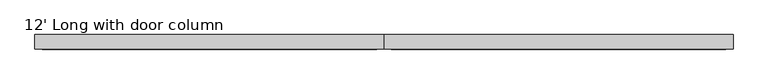
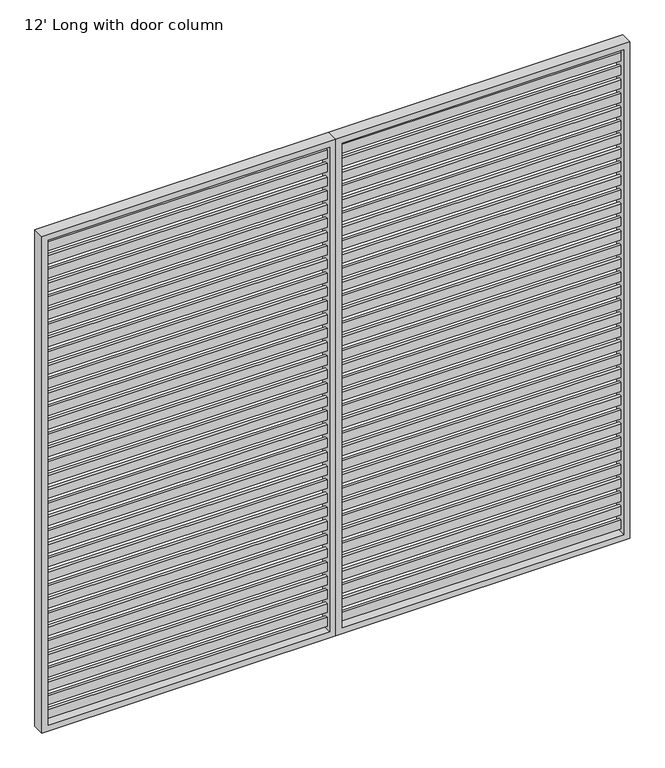
"""IFC4 building model written with IfcOpenShell, lengths in millimetres: furniture geometry, 12' Long with door column."""

from ifc_helpers import new_model, si_unit, frame, origin, place, context, project, spatial, polyline, outline, extrude, source, transform, mapped, element, save


def furniture_12_long_with_door_column_5638d393(model_context):
    return source(origin(), model_context, "Body", "SweptSolid", [
        extrude(outline(polyline([(2413.0, -6.35), (1244.6, -6.35), (1244.6, 6.35), (2413.0, 6.35), (2413.0, -6.35)])), frame((0.0, 0.0, 2030.4880644), z_axis=(0.0, 0.0, 1.0), x_axis=(1.0, 0.0, 0.0)), (0.0, 0.0, 1.0), 38.0999955),
        extrude(outline(polyline([(2413.0, -6.35), (1244.6, -6.35), (1244.6, 6.35), (2413.0, 6.35), (2413.0, -6.35)])), frame((0.0, 0.0, 1970.1654869), z_axis=(0.0, 0.0, 1.0), x_axis=(1.0, 0.0, 0.0)), (0.0, 0.0, 1.0), 38.0999955),
        extrude(outline(polyline([(2413.0, -6.35), (1244.6, -6.35), (1244.6, 6.35), (2413.0, 6.35), (2413.0, -6.35)])), frame((0.0, 0.0, 1909.8429094), z_axis=(0.0, 0.0, 1.0), x_axis=(1.0, 0.0, 0.0)), (0.0, 0.0, 1.0), 38.0999955),
        extrude(outline(polyline([(2413.0, -6.35), (1244.6, -6.35), (1244.6, 6.35), (2413.0, 6.35), (2413.0, -6.35)])), frame((0.0, 0.0, 1849.520332), z_axis=(0.0, 0.0, 1.0), x_axis=(1.0, 0.0, 0.0)), (0.0, 0.0, 1.0), 38.0999955),
        extrude(outline(polyline([(2413.0, -6.35), (1244.6, -6.35), (1244.6, 6.35), (2413.0, 6.35), (2413.0, -6.35)])), frame((0.0, 0.0, 1789.1977545), z_axis=(0.0, 0.0, 1.0), x_axis=(1.0, 0.0, 0.0)), (0.0, 0.0, 1.0), 38.0999955),
        extrude(outline(polyline([(2413.0, -6.35), (1244.6, -6.35), (1244.6, 6.35), (2413.0, 6.35), (2413.0, -6.35)])), frame((0.0, 0.0, 1728.875177), z_axis=(0.0, 0.0, 1.0), x_axis=(1.0, 0.0, 0.0)), (0.0, 0.0, 1.0), 38.0999955),
        extrude(outline(polyline([(2413.0, -6.35), (1244.6, -6.35), (1244.6, 6.35), (2413.0, 6.35), (2413.0, -6.35)])), frame((0.0, 0.0, 1668.5525996), z_axis=(0.0, 0.0, 1.0), x_axis=(1.0, 0.0, 0.0)), (0.0, 0.0, 1.0), 38.0999955),
        extrude(outline(polyline([(2413.0, -6.35), (1244.6, -6.35), (1244.6, 6.35), (2413.0, 6.35), (2413.0, -6.35)])), frame((0.0, 0.0, 1608.2300221), z_axis=(0.0, 0.0, 1.0), x_axis=(1.0, 0.0, 0.0)), (0.0, 0.0, 1.0), 38.0999955),
        extrude(outline(polyline([(2413.0, -6.35), (1244.6, -6.35), (1244.6, 6.35), (2413.0, 6.35), (2413.0, -6.35)])), frame((0.0, 0.0, 1547.9074446), z_axis=(0.0, 0.0, 1.0), x_axis=(1.0, 0.0, 0.0)), (0.0, 0.0, 1.0), 38.0999955),
        extrude(outline(polyline([(2413.0, -6.35), (1244.6, -6.35), (1244.6, 6.35), (2413.0, 6.35), (2413.0, -6.35)])), frame((0.0, 0.0, 1487.5848672), z_axis=(0.0, 0.0, 1.0), x_axis=(1.0, 0.0, 0.0)), (0.0, 0.0, 1.0), 38.0999955),
        extrude(outline(polyline([(2413.0, -6.35), (1244.6, -6.35), (1244.6, 6.35), (2413.0, 6.35), (2413.0, -6.35)])), frame((0.0, 0.0, 1427.2622897), z_axis=(0.0, 0.0, 1.0), x_axis=(1.0, 0.0, 0.0)), (0.0, 0.0, 1.0), 38.0999955),
        extrude(outline(polyline([(2413.0, -6.35), (1244.6, -6.35), (1244.6, 6.35), (2413.0, 6.35), (2413.0, -6.35)])), frame((0.0, 0.0, 1366.9397122), z_axis=(0.0, 0.0, 1.0), x_axis=(1.0, 0.0, 0.0)), (0.0, 0.0, 1.0), 38.0999955),
        extrude(outline(polyline([(2413.0, -6.35), (1244.6, -6.35), (1244.6, 6.35), (2413.0, 6.35), (2413.0, -6.35)])), frame((0.0, 0.0, 1306.6171348), z_axis=(0.0, 0.0, 1.0), x_axis=(1.0, 0.0, 0.0)), (0.0, 0.0, 1.0), 38.0999955),
        extrude(outline(polyline([(2413.0, -6.35), (1244.6, -6.35), (1244.6, 6.35), (2413.0, 6.35), (2413.0, -6.35)])), frame((0.0, 0.0, 1246.2945573), z_axis=(0.0, 0.0, 1.0), x_axis=(1.0, 0.0, 0.0)), (0.0, 0.0, 1.0), 38.0999955),
        extrude(outline(polyline([(2413.0, -6.35), (1244.6, -6.35), (1244.6, 6.35), (2413.0, 6.35), (2413.0, -6.35)])), frame((0.0, 0.0, 1185.9719798), z_axis=(0.0, 0.0, 1.0), x_axis=(1.0, 0.0, 0.0)), (0.0, 0.0, 1.0), 38.0999955),
        extrude(outline(polyline([(2413.0, -6.35), (1244.6, -6.35), (1244.6, 6.35), (2413.0, 6.35), (2413.0, -6.35)])), frame((0.0, 0.0, 1125.6494024), z_axis=(0.0, 0.0, 1.0), x_axis=(1.0, 0.0, 0.0)), (0.0, 0.0, 1.0), 38.0999955),
        extrude(outline(polyline([(2413.0, -6.35), (1244.6, -6.35), (1244.6, 6.35), (2413.0, 6.35), (2413.0, -6.35)])), frame((0.0, 0.0, 1065.3268249), z_axis=(0.0, 0.0, 1.0), x_axis=(1.0, 0.0, 0.0)), (0.0, 0.0, 1.0), 38.0999955),
        extrude(outline(polyline([(2413.0, -6.35), (1244.6, -6.35), (1244.6, 6.35), (2413.0, 6.35), (2413.0, -6.35)])), frame((0.0, 0.0, 1005.0042474), z_axis=(0.0, 0.0, 1.0), x_axis=(1.0, 0.0, 0.0)), (0.0, 0.0, 1.0), 38.0999955),
        extrude(outline(polyline([(2413.0, -6.35), (1244.6, -6.35), (1244.6, 6.35), (2413.0, 6.35), (2413.0, -6.35)])), frame((0.0, 0.0, 944.68167), z_axis=(0.0, 0.0, 1.0), x_axis=(1.0, 0.0, 0.0)), (0.0, 0.0, 1.0), 38.0999955),
        extrude(outline(polyline([(2413.0, -6.35), (1244.6, -6.35), (1244.6, 6.35), (2413.0, 6.35), (2413.0, -6.35)])), frame((0.0, 0.0, 884.3590925), z_axis=(0.0, 0.0, 1.0), x_axis=(1.0, 0.0, 0.0)), (0.0, 0.0, 1.0), 38.0999955),
        extrude(outline(polyline([(2413.0, -6.35), (1244.6, -6.35), (1244.6, 6.35), (2413.0, 6.35), (2413.0, -6.35)])), frame((0.0, 0.0, 824.036515), z_axis=(0.0, 0.0, 1.0), x_axis=(1.0, 0.0, 0.0)), (0.0, 0.0, 1.0), 38.0999955),
        extrude(outline(polyline([(2413.0, -6.35), (1244.6, -6.35), (1244.6, 6.35), (2413.0, 6.35), (2413.0, -6.35)])), frame((0.0, 0.0, 763.7139376), z_axis=(0.0, 0.0, 1.0), x_axis=(1.0, 0.0, 0.0)), (0.0, 0.0, 1.0), 38.0999955),
        extrude(outline(polyline([(2413.0, -6.35), (1244.6, -6.35), (1244.6, 6.35), (2413.0, 6.35), (2413.0, -6.35)])), frame((0.0, 0.0, 703.3913601), z_axis=(0.0, 0.0, 1.0), x_axis=(1.0, 0.0, 0.0)), (0.0, 0.0, 1.0), 38.0999955),
        extrude(outline(polyline([(2413.0, -6.35), (1244.6, -6.35), (1244.6, 6.35), (2413.0, 6.35), (2413.0, -6.35)])), frame((0.0, 0.0, 643.0687826), z_axis=(0.0, 0.0, 1.0), x_axis=(1.0, 0.0, 0.0)), (0.0, 0.0, 1.0), 38.0999955),
        extrude(outline(polyline([(2413.0, -6.35), (1244.6, -6.35), (1244.6, 6.35), (2413.0, 6.35), (2413.0, -6.35)])), frame((0.0, 0.0, 582.7462052), z_axis=(0.0, 0.0, 1.0), x_axis=(1.0, 0.0, 0.0)), (0.0, 0.0, 1.0), 38.0999955),
        extrude(outline(polyline([(2413.0, -6.35), (1244.6, -6.35), (1244.6, 6.35), (2413.0, 6.35), (2413.0, -6.35)])), frame((0.0, 0.0, 522.4236277), z_axis=(0.0, 0.0, 1.0), x_axis=(1.0, 0.0, 0.0)), (0.0, 0.0, 1.0), 38.0999955),
        extrude(outline(polyline([(2413.0, -6.35), (1244.6, -6.35), (1244.6, 6.35), (2413.0, 6.35), (2413.0, -6.35)])), frame((0.0, 0.0, 462.1010502), z_axis=(0.0, 0.0, 1.0), x_axis=(1.0, 0.0, 0.0)), (0.0, 0.0, 1.0), 38.0999955),
        extrude(outline(polyline([(2413.0, -6.35), (1244.6, -6.35), (1244.6, 6.35), (2413.0, 6.35), (2413.0, -6.35)])), frame((0.0, 0.0, 401.7784728), z_axis=(0.0, 0.0, 1.0), x_axis=(1.0, 0.0, 0.0)), (0.0, 0.0, 1.0), 38.0999955),
        extrude(outline(polyline([(2413.0, -6.35), (1244.6, -6.35), (1244.6, 6.35), (2413.0, 6.35), (2413.0, -6.35)])), frame((0.0, 0.0, 341.4558953), z_axis=(0.0, 0.0, 1.0), x_axis=(1.0, 0.0, 0.0)), (0.0, 0.0, 1.0), 38.0999955),
        extrude(outline(polyline([(2413.0, -6.35), (1244.6, -6.35), (1244.6, 6.35), (2413.0, 6.35), (2413.0, -6.35)])), frame((0.0, 0.0, 281.1333178), z_axis=(0.0, 0.0, 1.0), x_axis=(1.0, 0.0, 0.0)), (0.0, 0.0, 1.0), 38.0999955),
        extrude(outline(polyline([(2413.0, -6.35), (1244.6, -6.35), (1244.6, 6.35), (2413.0, 6.35), (2413.0, -6.35)])), frame((0.0, 0.0, 220.8107404), z_axis=(0.0, 0.0, 1.0), x_axis=(1.0, 0.0, 0.0)), (0.0, 0.0, 1.0), 38.0999955),
        extrude(outline(polyline([(2413.0, -6.35), (1244.6, -6.35), (1244.6, 6.35), (2413.0, 6.35), (2413.0, -6.35)])), frame((0.0, 0.0, 160.4881629), z_axis=(0.0, 0.0, 1.0), x_axis=(1.0, 0.0, 0.0)), (0.0, 0.0, 1.0), 38.0999955),
        extrude(outline(polyline([(2413.0, -6.35), (1244.6, -6.35), (1244.6, 6.35), (2413.0, 6.35), (2413.0, -6.35)])), frame((0.0, 0.0, 100.1655854), z_axis=(0.0, 0.0, 1.0), x_axis=(1.0, 0.0, 0.0)), (0.0, 0.0, 1.0), 38.0999955),
        extrude(outline(polyline([(2413.0, -6.35), (1244.6, -6.35), (1244.6, 6.35), (2413.0, 6.35), (2413.0, -6.35)])), frame((0.0, 0.0, 2090.8106418), z_axis=(0.0, 0.0, 1.0), x_axis=(1.0, 0.0, 0.0)), (0.0, 0.0, 1.0), 38.0999955),
        extrude(outline(polyline([(2413.0, -6.35), (1244.6, -6.35), (1244.6, 6.35), (2413.0, 6.35), (2413.0, -6.35)])), frame((0.0, 0.0, 39.843008), z_axis=(0.0, 0.0, 1.0), x_axis=(1.0, 0.0, 0.0)), (0.0, 0.0, 1.0), 38.0999955),
        extrude(outline(polyline([(0.0, 2438.4), (2176.526, 2438.4), (2176.526, 1219.2), (0.0, 1219.2), (0.0, 2438.4)]), holes=[polyline([(2151.126, 1244.6), (2151.126, 2413.0), (25.4, 2413.0), (25.4, 1244.6), (2151.126, 1244.6)])]), frame((0.0, -25.4, 0.0), z_axis=(0.0, 1.0, 0.0), x_axis=(0.0, 0.0, 1.0)), (0.0, 0.0, 1.0), 50.8),
        extrude(outline(polyline([(1193.8, -6.35), (25.4, -6.35), (25.4, 6.35), (1193.8, 6.35), (1193.8, -6.35)])), frame((0.0, 0.0, 2030.4880644), z_axis=(0.0, 0.0, 1.0), x_axis=(1.0, 0.0, 0.0)), (0.0, 0.0, 1.0), 38.0999955),
        extrude(outline(polyline([(1193.8, -6.35), (25.4, -6.35), (25.4, 6.35), (1193.8, 6.35), (1193.8, -6.35)])), frame((0.0, 0.0, 1970.1654869), z_axis=(0.0, 0.0, 1.0), x_axis=(1.0, 0.0, 0.0)), (0.0, 0.0, 1.0), 38.0999955),
        extrude(outline(polyline([(1193.8, -6.35), (25.4, -6.35), (25.4, 6.35), (1193.8, 6.35), (1193.8, -6.35)])), frame((0.0, 0.0, 1909.8429094), z_axis=(0.0, 0.0, 1.0), x_axis=(1.0, 0.0, 0.0)), (0.0, 0.0, 1.0), 38.0999955),
        extrude(outline(polyline([(1193.8, -6.35), (25.4, -6.35), (25.4, 6.35), (1193.8, 6.35), (1193.8, -6.35)])), frame((0.0, 0.0, 1849.520332), z_axis=(0.0, 0.0, 1.0), x_axis=(1.0, 0.0, 0.0)), (0.0, 0.0, 1.0), 38.0999955),
        extrude(outline(polyline([(1193.8, -6.35), (25.4, -6.35), (25.4, 6.35), (1193.8, 6.35), (1193.8, -6.35)])), frame((0.0, 0.0, 1789.1977545), z_axis=(0.0, 0.0, 1.0), x_axis=(1.0, 0.0, 0.0)), (0.0, 0.0, 1.0), 38.0999955),
        extrude(outline(polyline([(1193.8, -6.35), (25.4, -6.35), (25.4, 6.35), (1193.8, 6.35), (1193.8, -6.35)])), frame((0.0, 0.0, 1728.875177), z_axis=(0.0, 0.0, 1.0), x_axis=(1.0, 0.0, 0.0)), (0.0, 0.0, 1.0), 38.0999955),
        extrude(outline(polyline([(1193.8, -6.35), (25.4, -6.35), (25.4, 6.35), (1193.8, 6.35), (1193.8, -6.35)])), frame((0.0, 0.0, 1668.5525996), z_axis=(0.0, 0.0, 1.0), x_axis=(1.0, 0.0, 0.0)), (0.0, 0.0, 1.0), 38.0999955),
        extrude(outline(polyline([(1193.8, -6.35), (25.4, -6.35), (25.4, 6.35), (1193.8, 6.35), (1193.8, -6.35)])), frame((0.0, 0.0, 1608.2300221), z_axis=(0.0, 0.0, 1.0), x_axis=(1.0, 0.0, 0.0)), (0.0, 0.0, 1.0), 38.0999955),
        extrude(outline(polyline([(1193.8, -6.35), (25.4, -6.35), (25.4, 6.35), (1193.8, 6.35), (1193.8, -6.35)])), frame((0.0, 0.0, 1547.9074446), z_axis=(0.0, 0.0, 1.0), x_axis=(1.0, 0.0, 0.0)), (0.0, 0.0, 1.0), 38.0999955),
        extrude(outline(polyline([(1193.8, -6.35), (25.4, -6.35), (25.4, 6.35), (1193.8, 6.35), (1193.8, -6.35)])), frame((0.0, 0.0, 1487.5848672), z_axis=(0.0, 0.0, 1.0), x_axis=(1.0, 0.0, 0.0)), (0.0, 0.0, 1.0), 38.0999955),
        extrude(outline(polyline([(1193.8, -6.35), (25.4, -6.35), (25.4, 6.35), (1193.8, 6.35), (1193.8, -6.35)])), frame((0.0, 0.0, 1427.2622897), z_axis=(0.0, 0.0, 1.0), x_axis=(1.0, 0.0, 0.0)), (0.0, 0.0, 1.0), 38.0999955),
        extrude(outline(polyline([(1193.8, -6.35), (25.4, -6.35), (25.4, 6.35), (1193.8, 6.35), (1193.8, -6.35)])), frame((0.0, 0.0, 1366.9397122), z_axis=(0.0, 0.0, 1.0), x_axis=(1.0, 0.0, 0.0)), (0.0, 0.0, 1.0), 38.0999955),
        extrude(outline(polyline([(1193.8, -6.35), (25.4, -6.35), (25.4, 6.35), (1193.8, 6.35), (1193.8, -6.35)])), frame((0.0, 0.0, 1306.6171348), z_axis=(0.0, 0.0, 1.0), x_axis=(1.0, 0.0, 0.0)), (0.0, 0.0, 1.0), 38.0999955),
        extrude(outline(polyline([(1193.8, -6.35), (25.4, -6.35), (25.4, 6.35), (1193.8, 6.35), (1193.8, -6.35)])), frame((0.0, 0.0, 1246.2945573), z_axis=(0.0, 0.0, 1.0), x_axis=(1.0, 0.0, 0.0)), (0.0, 0.0, 1.0), 38.0999955),
        extrude(outline(polyline([(1193.8, -6.35), (25.4, -6.35), (25.4, 6.35), (1193.8, 6.35), (1193.8, -6.35)])), frame((0.0, 0.0, 1185.9719798), z_axis=(0.0, 0.0, 1.0), x_axis=(1.0, 0.0, 0.0)), (0.0, 0.0, 1.0), 38.0999955),
        extrude(outline(polyline([(1193.8, -6.35), (25.4, -6.35), (25.4, 6.35), (1193.8, 6.35), (1193.8, -6.35)])), frame((0.0, 0.0, 1125.6494024), z_axis=(0.0, 0.0, 1.0), x_axis=(1.0, 0.0, 0.0)), (0.0, 0.0, 1.0), 38.0999955),
        extrude(outline(polyline([(1193.8, -6.35), (25.4, -6.35), (25.4, 6.35), (1193.8, 6.35), (1193.8, -6.35)])), frame((0.0, 0.0, 1065.3268249), z_axis=(0.0, 0.0, 1.0), x_axis=(1.0, 0.0, 0.0)), (0.0, 0.0, 1.0), 38.0999955),
        extrude(outline(polyline([(1193.8, -6.35), (25.4, -6.35), (25.4, 6.35), (1193.8, 6.35), (1193.8, -6.35)])), frame((0.0, 0.0, 1005.0042474), z_axis=(0.0, 0.0, 1.0), x_axis=(1.0, 0.0, 0.0)), (0.0, 0.0, 1.0), 38.0999955),
        extrude(outline(polyline([(1193.8, -6.35), (25.4, -6.35), (25.4, 6.35), (1193.8, 6.35), (1193.8, -6.35)])), frame((0.0, 0.0, 944.68167), z_axis=(0.0, 0.0, 1.0), x_axis=(1.0, 0.0, 0.0)), (0.0, 0.0, 1.0), 38.0999955),
        extrude(outline(polyline([(1193.8, -6.35), (25.4, -6.35), (25.4, 6.35), (1193.8, 6.35), (1193.8, -6.35)])), frame((0.0, 0.0, 884.3590925), z_axis=(0.0, 0.0, 1.0), x_axis=(1.0, 0.0, 0.0)), (0.0, 0.0, 1.0), 38.0999955),
        extrude(outline(polyline([(1193.8, -6.35), (25.4, -6.35), (25.4, 6.35), (1193.8, 6.35), (1193.8, -6.35)])), frame((0.0, 0.0, 824.036515), z_axis=(0.0, 0.0, 1.0), x_axis=(1.0, 0.0, 0.0)), (0.0, 0.0, 1.0), 38.0999955),
        extrude(outline(polyline([(1193.8, -6.35), (25.4, -6.35), (25.4, 6.35), (1193.8, 6.35), (1193.8, -6.35)])), frame((0.0, 0.0, 763.7139376), z_axis=(0.0, 0.0, 1.0), x_axis=(1.0, 0.0, 0.0)), (0.0, 0.0, 1.0), 38.0999955),
        extrude(outline(polyline([(1193.8, -6.35), (25.4, -6.35), (25.4, 6.35), (1193.8, 6.35), (1193.8, -6.35)])), frame((0.0, 0.0, 703.3913601), z_axis=(0.0, 0.0, 1.0), x_axis=(1.0, 0.0, 0.0)), (0.0, 0.0, 1.0), 38.0999955),
        extrude(outline(polyline([(1193.8, -6.35), (25.4, -6.35), (25.4, 6.35), (1193.8, 6.35), (1193.8, -6.35)])), frame((0.0, 0.0, 643.0687826), z_axis=(0.0, 0.0, 1.0), x_axis=(1.0, 0.0, 0.0)), (0.0, 0.0, 1.0), 38.0999955),
        extrude(outline(polyline([(1193.8, -6.35), (25.4, -6.35), (25.4, 6.35), (1193.8, 6.35), (1193.8, -6.35)])), frame((0.0, 0.0, 582.7462052), z_axis=(0.0, 0.0, 1.0), x_axis=(1.0, 0.0, 0.0)), (0.0, 0.0, 1.0), 38.0999955),
        extrude(outline(polyline([(1193.8, -6.35), (25.4, -6.35), (25.4, 6.35), (1193.8, 6.35), (1193.8, -6.35)])), frame((0.0, 0.0, 522.4236277), z_axis=(0.0, 0.0, 1.0), x_axis=(1.0, 0.0, 0.0)), (0.0, 0.0, 1.0), 38.0999955),
        extrude(outline(polyline([(1193.8, -6.35), (25.4, -6.35), (25.4, 6.35), (1193.8, 6.35), (1193.8, -6.35)])), frame((0.0, 0.0, 462.1010502), z_axis=(0.0, 0.0, 1.0), x_axis=(1.0, 0.0, 0.0)), (0.0, 0.0, 1.0), 38.0999955),
        extrude(outline(polyline([(1193.8, -6.35), (25.4, -6.35), (25.4, 6.35), (1193.8, 6.35), (1193.8, -6.35)])), frame((0.0, 0.0, 401.7784728), z_axis=(0.0, 0.0, 1.0), x_axis=(1.0, 0.0, 0.0)), (0.0, 0.0, 1.0), 38.0999955),
        extrude(outline(polyline([(1193.8, -6.35), (25.4, -6.35), (25.4, 6.35), (1193.8, 6.35), (1193.8, -6.35)])), frame((0.0, 0.0, 341.4558953), z_axis=(0.0, 0.0, 1.0), x_axis=(1.0, 0.0, 0.0)), (0.0, 0.0, 1.0), 38.0999955),
        extrude(outline(polyline([(1193.8, -6.35), (25.4, -6.35), (25.4, 6.35), (1193.8, 6.35), (1193.8, -6.35)])), frame((0.0, 0.0, 281.1333178), z_axis=(0.0, 0.0, 1.0), x_axis=(1.0, 0.0, 0.0)), (0.0, 0.0, 1.0), 38.0999955),
        extrude(outline(polyline([(1193.8, -6.35), (25.4, -6.35), (25.4, 6.35), (1193.8, 6.35), (1193.8, -6.35)])), frame((0.0, 0.0, 220.8107404), z_axis=(0.0, 0.0, 1.0), x_axis=(1.0, 0.0, 0.0)), (0.0, 0.0, 1.0), 38.0999955),
        extrude(outline(polyline([(1193.8, -6.35), (25.4, -6.35), (25.4, 6.35), (1193.8, 6.35), (1193.8, -6.35)])), frame((0.0, 0.0, 160.4881629), z_axis=(0.0, 0.0, 1.0), x_axis=(1.0, 0.0, 0.0)), (0.0, 0.0, 1.0), 38.0999955),
        extrude(outline(polyline([(1193.8, -6.35), (25.4, -6.35), (25.4, 6.35), (1193.8, 6.35), (1193.8, -6.35)])), frame((0.0, 0.0, 100.1655854), z_axis=(0.0, 0.0, 1.0), x_axis=(1.0, 0.0, 0.0)), (0.0, 0.0, 1.0), 38.0999955),
        extrude(outline(polyline([(1193.8, -6.35), (25.4, -6.35), (25.4, 6.35), (1193.8, 6.35), (1193.8, -6.35)])), frame((0.0, 0.0, 2090.8106418), z_axis=(0.0, 0.0, 1.0), x_axis=(1.0, 0.0, 0.0)), (0.0, 0.0, 1.0), 38.0999955),
        extrude(outline(polyline([(1193.8, -6.35), (25.4, -6.35), (25.4, 6.35), (1193.8, 6.35), (1193.8, -6.35)])), frame((0.0, 0.0, 39.843008), z_axis=(0.0, 0.0, 1.0), x_axis=(1.0, 0.0, 0.0)), (0.0, 0.0, 1.0), 38.0999955),
        extrude(outline(polyline([(0.0, 0.0), (0.0, 1219.2), (2176.526, 1219.2), (2176.526, 0.0), (0.0, 0.0)]), holes=[polyline([(2151.126, 1193.8), (25.4, 1193.8), (25.4, 25.4), (2151.126, 25.4), (2151.126, 1193.8)])]), frame((0.0, -25.4, 0.0), z_axis=(0.0, 1.0, 0.0), x_axis=(0.0, 0.0, 1.0)), (0.0, 0.0, 1.0), 50.8),
    ])


if __name__ == "__main__":
    model = new_model("IFC4")
    model_context = context("Model", 3, world=origin())
    ifc_project = project(units=[si_unit("LENGTHUNIT", "METRE", prefix="MILLI")], contexts=[model_context])
    site = spatial("IfcSite", under=ifc_project)
    building = spatial("IfcBuilding", under=site)
    placement = place(None, origin())
    furniture_12_long_with_door_column_shape = furniture_12_long_with_door_column_5638d393(model_context)
    element("IfcFurniture", 1, ObjectType="12' Long with door column", at=placement, inside=building, context=model_context, shape_type="MappedRepresentation", body=[
        mapped(furniture_12_long_with_door_column_shape, transform((0.0, 0.0, 0.0), x_axis=(1.0, 0.0, 0.0), y_axis=(0.0, 1.0, 0.0), z_axis=(0.0, 0.0, 1.0))),
    ])
    save(model, "model.ifc")
